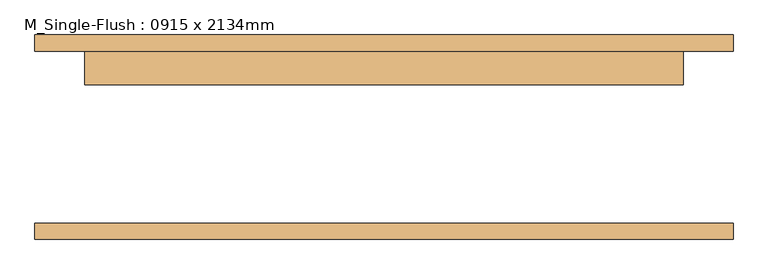
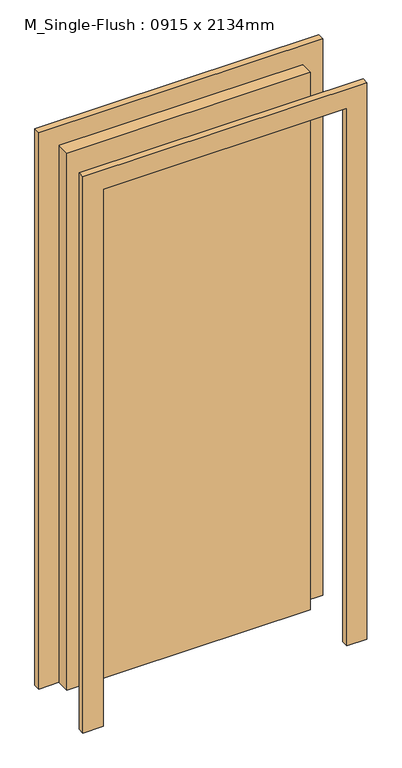
"""IFC4 building model written with IfcOpenShell, lengths in millimetres: door geometry, M_Single-Flush : 0915 x 2134mm."""

from ifc_helpers import new_model, si_unit, frame, origin, origin_with_axes, place, context, project, spatial, polyline, outline, extrude, source, transform, mapped, element, save


def m_single_flush_0915_x_2134mm_795dd569(model_context):
    return source(origin(), model_context, "Body", "SweptSolid", [
        extrude(outline(polyline([(2210.0, -533.5), (0.0, -533.5), (0.0, -457.5), (2134.0, -457.5), (2134.0, 457.5), (0.0, 457.5), (0.0, 533.5), (2210.0, 533.5), (2210.0, -533.5)])), frame((0.0, 131.25, 0.0), z_axis=(0.0, 1.0, 0.0), x_axis=(0.0, 0.0, 1.0)), (0.0, 0.0, 1.0), 25.0),
        extrude(outline(polyline([(2210.0, 533.5), (2210.0, -533.5), (0.0, -533.5), (0.0, -457.5), (2134.0, -457.5), (2134.0, 457.5), (0.0, 457.5), (0.0, 533.5), (2210.0, 533.5)])), frame((0.0, -156.25, 0.0), z_axis=(0.0, 1.0, 0.0), x_axis=(0.0, 0.0, 1.0)), (0.0, 0.0, 1.0), 25.0),
        extrude(outline(polyline([(457.5, 80.25), (-457.5, 80.25), (-457.5, 131.25), (457.5, 131.25), (457.5, 80.25)])), origin_with_axes(), (0.0, 0.0, 1.0), 2134.0),
    ])


if __name__ == "__main__":
    model = new_model("IFC4")
    model_context = context("Model", 3, world=origin())
    ifc_project = project(units=[si_unit("LENGTHUNIT", "METRE", prefix="MILLI")], contexts=[model_context])
    site = spatial("IfcSite", under=ifc_project)
    building = spatial("IfcBuilding", under=site)
    placement = place(None, origin())
    m_single_flush_0915_x_2134mm_shape = m_single_flush_0915_x_2134mm_795dd569(model_context)
    element("IfcDoor", 1, ObjectType="M_Single-Flush : 0915 x 2134mm", at=placement, inside=building, context=model_context, shape_type="MappedRepresentation", body=[
        mapped(m_single_flush_0915_x_2134mm_shape, transform((0.0, 0.0, 0.0), x_axis=(1.0, 0.0, 0.0), y_axis=(0.0, 1.0, 0.0), z_axis=(0.0, 0.0, 1.0))),
    ])
    save(model, "model.ifc")
